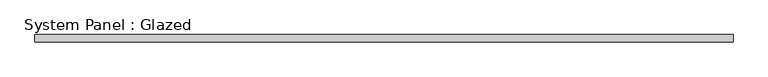
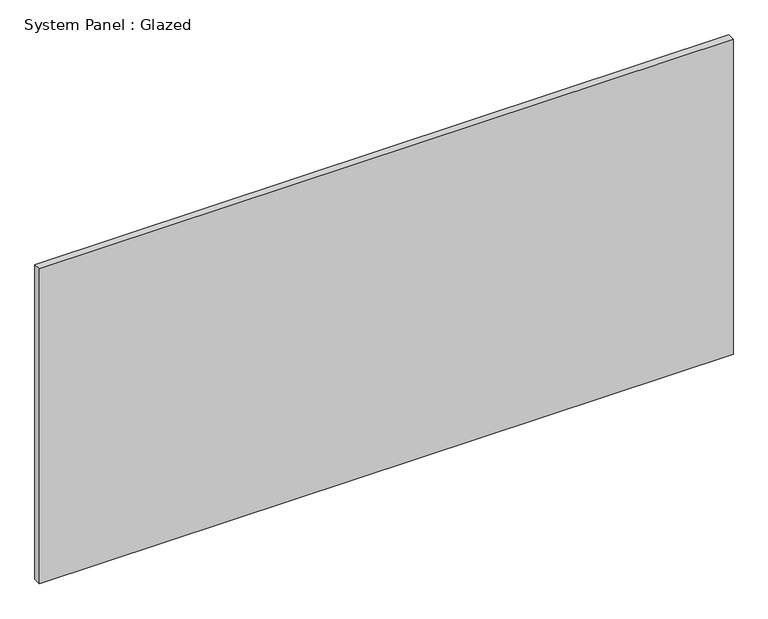
"""IFC4 building model written with IfcOpenShell, lengths in millimetres: plate geometry, System Panel : Glazed."""

from ifc_helpers import new_model, si_unit, origin, origin_with_axes, place, context, project, spatial, polyline, outline, extrude, source, transform, mapped, element, save


def system_panel_glazed_eea56bee(model_context):
    return source(origin(), model_context, "Body", "SweptSolid", [
        extrude(outline(polyline([(1171.575, 19.05), (-1171.575, 19.05), (-1171.575, 44.45), (1171.575, 44.45), (1171.575, 19.05)])), origin_with_axes(), (0.0, 0.0, 1.0), 1123.95),
    ])


if __name__ == "__main__":
    model = new_model("IFC4")
    model_context = context("Model", 3, world=origin())
    ifc_project = project(units=[si_unit("LENGTHUNIT", "METRE", prefix="MILLI")], contexts=[model_context])
    site = spatial("IfcSite", under=ifc_project)
    building = spatial("IfcBuilding", under=site)
    placement = place(None, origin())
    system_panel_glazed_shape = system_panel_glazed_eea56bee(model_context)
    element("IfcPlate", 1, ObjectType="System Panel : Glazed", at=placement, inside=building, context=model_context, shape_type="MappedRepresentation", body=[
        mapped(system_panel_glazed_shape, transform((0.0, 0.0, 0.0), x_axis=(1.0, 0.0, 0.0), y_axis=(0.0, 1.0, 0.0), z_axis=(0.0, 0.0, 1.0))),
    ])
    save(model, "model.ifc")
